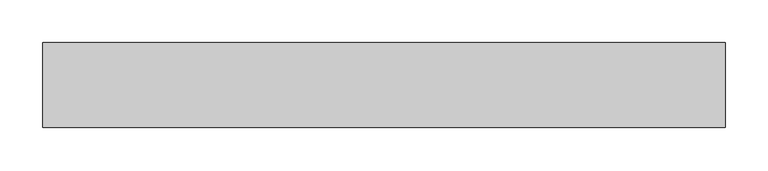
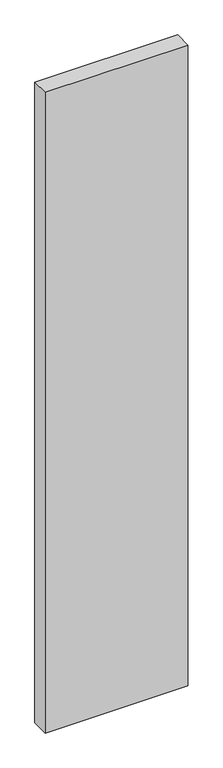
"""IFC4 building model written with IfcOpenShell, lengths in millimetres: proxy geometry."""

import ifcopenshell
import ifcopenshell.guid

model = None  # the IFC model being written
_history = None  # IfcOwnerHistory: only IFC2X3 demands one
_inside = {}  # id of a spatial element -> (the spatial element, [elements in it])
_under = {}  # id of a project, library or spatial element -> (it, [spatial elements below it])
_declared = {}  # id of a project -> (the project, [libraries it declares])
_typed = {}  # id of a type object -> (the type object, [elements of that type])
_made_of = {}  # id of a material, layer set ... -> (it, [elements and type objects made of it])


def new_model(schema):
    """Start an empty IFC model of exactly this schema.

    Asked for "IFC4X3", IfcOpenShell would pick the latest addendum, in which some entities
    have other attributes; the version numbers below select the first issue.
    IFC2X3 requires an IfcOwnerHistory on every rooted entity: one is made here for all.
    """
    global model, _history
    if schema == "IFC4X3":
        model = ifcopenshell.file(schema_version=(4, 3, 0, 0))
    else:
        model = ifcopenshell.file(schema=schema)
    _inside.clear()
    _under.clear()
    _declared.clear()
    _typed.clear()
    _made_of.clear()
    _history = None
    if model.schema == "IFC2X3":
        org = make("IfcOrganization", Name="unknown")
        user = make(
            "IfcPersonAndOrganization",
            ThePerson=make("IfcPerson", FamilyName="unknown"),
            TheOrganization=org,
        )
        app = make(
            "IfcApplication",
            ApplicationDeveloper=org,
            Version="unknown",
            ApplicationFullName="unknown",
            ApplicationIdentifier="unknown",
        )
        _history = make(
            "IfcOwnerHistory",
            OwningUser=user,
            OwningApplication=app,
            ChangeAction="ADDED",
            CreationDate=0,
        )
    return model


def make(cls, **values):
    """One entity of the class cls with the attributes given. An attribute that is None is left unset."""
    return model.create_entity(
        cls, **{name: value for name, value in values.items() if value is not None}
    )


def rooted(cls, **values):
    """An entity with a GlobalId (a new one), such as an element, a storey or a relation."""
    return make(cls, GlobalId=ifcopenshell.guid.new(), OwnerHistory=_history, **values)


def si_unit(unit_type, name, prefix=None):
    """IfcSIUnit, for example si_unit("LENGTHUNIT", "METRE", prefix="MILLI")."""
    return make("IfcSIUnit", UnitType=unit_type, Prefix=prefix, Name=name)


def assignment(units):
    """IfcUnitAssignment: the units of a project."""
    return None if units is None else make("IfcUnitAssignment", Units=units)


def point(xyz):
    """IfcCartesianPoint."""
    return None if xyz is None else make("IfcCartesianPoint", Coordinates=xyz)


def direction(xyz):
    """IfcDirection."""
    return None if xyz is None else make("IfcDirection", DirectionRatios=xyz)


def frame(location, z_axis=None, x_axis=None):
    """IfcAxis2Placement3D, a coordinate frame: its origin and axes. An axis left out is left unset."""
    return make(
        "IfcAxis2Placement3D",
        Location=point(location),
        Axis=direction(z_axis),
        RefDirection=direction(x_axis),
    )


def origin():
    """The frame at (0, 0, 0) with its axes left unset."""
    return frame((0.0, 0.0, 0.0))


def place(relative_to, where):
    """IfcLocalPlacement: puts the frame where relative to a parent placement (None: the world)."""
    return make(
        "IfcLocalPlacement", PlacementRelTo=relative_to, RelativePlacement=where
    )


def context(
    kind, dimensions, precision=None, world=None, true_north=None, identifier=None
):
    """IfcGeometricRepresentationContext, for example the 3D "Model" context."""
    return make(
        "IfcGeometricRepresentationContext",
        ContextIdentifier=identifier,
        ContextType=kind,
        CoordinateSpaceDimension=dimensions,
        Precision=precision,
        WorldCoordinateSystem=world,
        TrueNorth=true_north,
    )


def project(units=None, contexts=None):
    """IfcProject with its units and contexts."""
    return rooted(
        "IfcProject",
        Name="project",
        RepresentationContexts=contexts,
        UnitsInContext=assignment(units),
    )


def spatial(cls, under=None, at=None, **own):
    """A site, building, storey or space (cls), placed at a placement, below another one or the project."""
    s = rooted(cls, ObjectPlacement=at, **own)
    if under is not None:
        _under.setdefault(under.id(), (under, []))[1].append(s)
    return s


def polyline(points):
    """IfcPolyline through the points."""
    return make("IfcPolyline", Points=[point(p) for p in points])


def outline(outer, holes=None, kind="AREA"):
    """IfcArbitraryClosedProfileDef: a profile drawn as a closed curve; with holes, ...WithVoids."""
    if holes is None:
        return make("IfcArbitraryClosedProfileDef", ProfileType=kind, OuterCurve=outer)
    return make(
        "IfcArbitraryProfileDefWithVoids",
        ProfileType=kind,
        OuterCurve=outer,
        InnerCurves=holes,
    )


def extrude(swept, where, along, depth):
    """IfcExtrudedAreaSolid: the profile swept, set in the frame where, extruded along a direction by depth."""
    return make(
        "IfcExtrudedAreaSolid",
        SweptArea=swept,
        Position=where,
        ExtrudedDirection=direction(along),
        Depth=depth,
    )


def shape(context_of_items, identifier, shape_type, items):
    """IfcShapeRepresentation: the items that make up one representation, for example the "Body"."""
    return make(
        "IfcShapeRepresentation",
        ContextOfItems=context_of_items,
        RepresentationIdentifier=identifier,
        RepresentationType=shape_type,
        Items=items,
    )


def source(mapping_origin, context_of_items, identifier, shape_type, items):
    """IfcRepresentationMap: a shape defined once, which mapped items show again and again."""
    return make(
        "IfcRepresentationMap",
        MappingOrigin=mapping_origin,
        MappedRepresentation=shape(context_of_items, identifier, shape_type, items),
    )


def transform(
    local_origin,
    x_axis=None,
    y_axis=None,
    z_axis=None,
    scale=None,
    scale2=None,
    scale3=None,
    uniform=True,
):
    """IfcCartesianTransformationOperator3D, or its non-uniform kind. x_axis, y_axis, z_axis: its Axis1, 2, 3."""
    if uniform:
        return make(
            "IfcCartesianTransformationOperator3D",
            Axis1=direction(x_axis),
            Axis2=direction(y_axis),
            LocalOrigin=point(local_origin),
            Scale=scale,
            Axis3=direction(z_axis),
        )
    return make(
        "IfcCartesianTransformationOperator3DnonUniform",
        Axis1=direction(x_axis),
        Axis2=direction(y_axis),
        LocalOrigin=point(local_origin),
        Scale=scale,
        Axis3=direction(z_axis),
        Scale2=scale2,
        Scale3=scale3,
    )


def mapped(mapping_source, mapping_target):
    """IfcMappedItem: shows the shape of a source again, moved by a transform."""
    return make(
        "IfcMappedItem", MappingSource=mapping_source, MappingTarget=mapping_target
    )


def made_of(thing, what):
    """Note that an element or type object is made of a material, layer set ...; save() writes the relation."""
    if what is not None:
        _made_of.setdefault(what.id(), (what, []))[1].append(thing)
    return thing


def element(
    cls,
    number,
    at=None,
    inside=None,
    cuts=None,
    type_object=None,
    material=None,
    context=None,
    identifier="Body",
    shape_type=None,
    held_by="IfcProductDefinitionShape",
    body=None,
    shapes=None,
    **own,
):
    """One element of the class cls, such as IfcWall. Its Tag is "e" and its number.

    at: its placement. inside: the storey or other place that contains it. cuts: it is an
    opening in that element (IfcRelVoidsElement). A single representation is given by context,
    identifier, shape_type and body (its items); several are given by shapes. held_by: the class
    of the entity that holds the representations. save() writes the other relations.
    """
    e = rooted(cls, Tag="e%d" % number, ObjectPlacement=at, **own)
    if body is not None:
        shapes = [shape(context, identifier, shape_type, body)]
    if shapes is not None:
        e.Representation = make(held_by, Representations=shapes)
    if inside is not None:
        _inside.setdefault(inside.id(), (inside, []))[1].append(e)
    if cuts is not None:
        rooted(
            "IfcRelVoidsElement", RelatingBuildingElement=cuts, RelatedOpeningElement=e
        )
    if type_object is not None:
        _typed.setdefault(type_object.id(), (type_object, []))[1].append(e)
    return made_of(e, material)


def aggregate(whole, parts):
    """IfcRelAggregates: a whole, such as a stair, and the parts it consists of."""
    return rooted("IfcRelAggregates", RelatingObject=whole, RelatedObjects=parts)


def save(model, path):
    """Write the relations noted so far, then the file.

    IfcRelAggregates (storeys below a building ...), IfcRelContainedInSpatialStructure (elements
    in a storey), IfcRelDefinesByType, IfcRelAssociatesMaterial and IfcRelDeclares: one each for
    every whole, place, type object, material and project.
    """
    for whole, parts in _under.values():
        aggregate(whole, parts)
    for where, things in _inside.values():
        rooted(
            "IfcRelContainedInSpatialStructure",
            RelatedElements=things,
            RelatingStructure=where,
        )
    for kind, things in _typed.values():
        rooted("IfcRelDefinesByType", RelatedObjects=things, RelatingType=kind)
    for what, things in _made_of.values():
        rooted("IfcRelAssociatesMaterial", RelatedObjects=things, RelatingMaterial=what)
    for by, libraries in _declared.values():
        rooted("IfcRelDeclares", RelatingContext=by, RelatedDefinitions=libraries)
    model.write(path)


def generic_models_532b1c83(model_context):
    return source(origin(), model_context, "Body", "SweptSolid", [
        extrude(outline(polyline([(800.0, 100.0), (800.0, 0.0), (0.0, 0.0), (0.0, 100.0), (800.0, 100.0)])), frame((0.0, 0.0, -3800.0), z_axis=(0.0, 0.0, 1.0), x_axis=(1.0, 0.0, 0.0)), (0.0, 0.0, 1.0), 3800.0),
    ])


if __name__ == "__main__":
    model = new_model("IFC4")
    model_context = context("Model", 3, world=origin())
    ifc_project = project(units=[si_unit("LENGTHUNIT", "METRE", prefix="MILLI")], contexts=[model_context])
    site = spatial("IfcSite", under=ifc_project)
    building = spatial("IfcBuilding", under=site)
    placement = place(None, origin())
    generic_models_shape = generic_models_532b1c83(model_context)
    element("IfcBuildingElementProxy", 1, Name="Generic Models", at=placement, inside=building, context=model_context, shape_type="MappedRepresentation", body=[
        mapped(generic_models_shape, transform((0.0, 0.0, 0.0), x_axis=(1.0, 0.0, 0.0), y_axis=(0.0, 1.0, 0.0), z_axis=(0.0, 0.0, 1.0))),
    ])
    save(model, "model.ifc")
